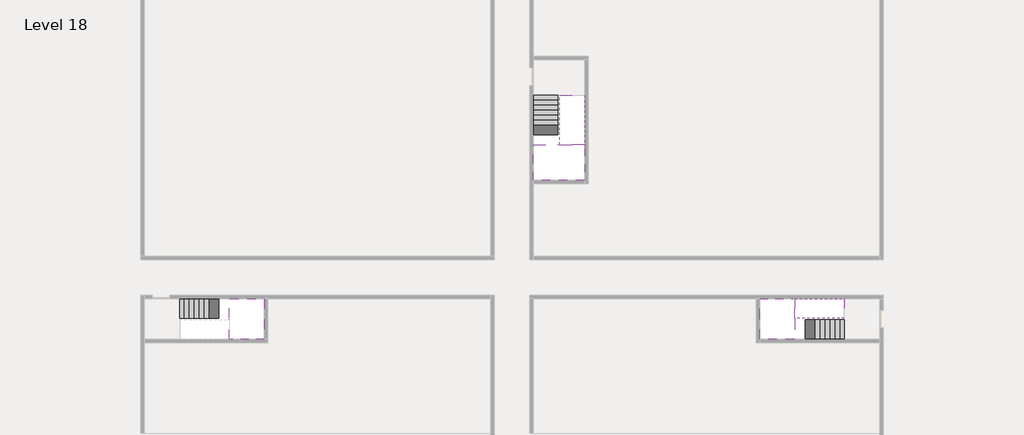
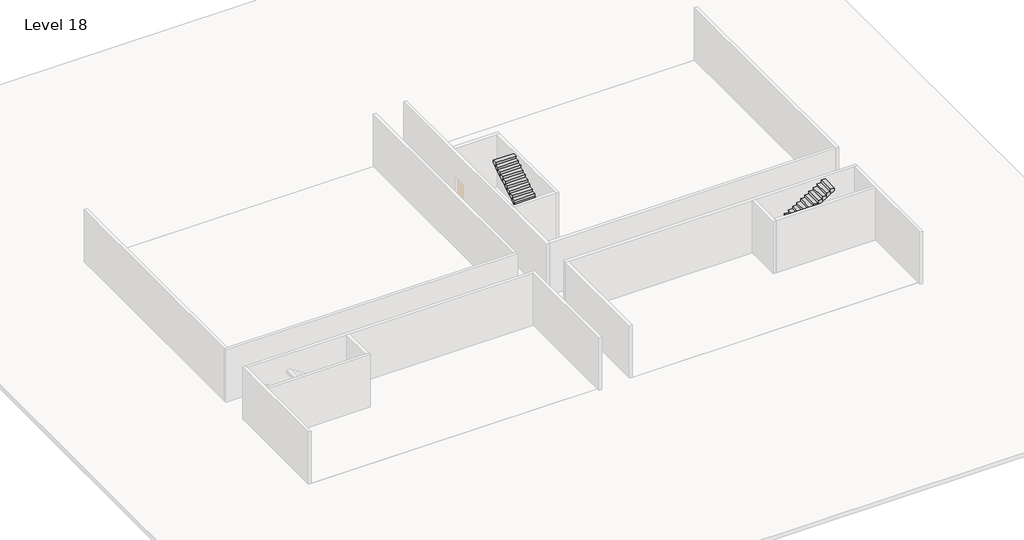
# One storey, part 2 of 2: 5 stair flights, 3 slabs.
"""IFC4 building model written with IfcOpenShell, lengths in millimetres."""

from ifc_helpers import new_model, si_unit, origin, place, context, project, spatial, faceted_brep, element, save

model = new_model("IFC4")

# Units and contexts
model_context = context("Model", 3, world=origin())
ifc_project = project(units=[si_unit("LENGTHUNIT", "METRE", prefix="MILLI")], contexts=[model_context])

# Site, building, storey
site = spatial("IfcSite", under=ifc_project)
building = spatial("IfcBuilding", under=site)
storey = spatial("IfcBuildingStorey", under=building, Name="Level 18", Elevation=64600.0)

# Slabs
placement = place(None, origin())
element("IfcSlab", 1, at=placement, inside=storey, context=model_context, shape_type="Brep", body=[
    faceted_brep([(8190.1058784, -42918.09644, 66500.0), (8190.1058784, -44018.09644, 66500.0), (8190.1058784, -44118.09644, 66500.0), (8190.1058784, -45218.09644, 66500.0), (8390.7194421, -45218.09644, 66500.0), (10190.1058784, -45218.09644, 66500.0), (10190.1058784, -42918.09644, 66500.0), (8269.4923146, -42918.09644, 66500.0), (8190.1058784, -42918.09644, 66327.2727273), (8190.1058784, -42918.09644, 66151.0278478), (8190.1058784, -44018.09644, 66151.0278478), (8190.1058784, -44018.09644, 66200.0), (8190.1058784, -44118.09644, 66200.0), (8190.1058784, -44118.09644, 66323.7551205), (8190.1058784, -45218.09644, 66323.7551205), (8390.7194421, -45218.09644, 66200.0), (10190.1058784, -45218.09644, 66200.0), (10190.1058784, -42918.09644, 66200.0), (8269.4923146, -42918.09644, 66200.0), (8390.7194421, -44118.09644, 66200.0), (8269.4923146, -44018.09644, 66200.0)], [[[0, 1, 2, 3, 4, 5, 6, 7]], [[1, 0, 8, 9, 10, 11]], [[2, 1, 11, 12, 13]], [[3, 2, 13, 14]], [[3, 14, 15, 16, 5, 4]], [[6, 5, 16, 17]], [[9, 8, 0, 7, 6, 17, 18]], [[19, 12, 11, 20, 18, 17, 16, 15]], [[12, 19, 13]], [[18, 20, 10, 9]], [[20, 11, 10]], [[19, 15, 14, 13]]]),
])
element("IfcSlab", 2, at=placement, inside=storey, context=model_context, shape_type="Brep", body=[
    faceted_brep([(40190.1058784, -45218.09644, 66500.0), (40190.1058784, -44118.09644, 66500.0), (40190.1058784, -44018.09644, 66500.0), (40190.1058784, -42918.09644, 66500.0), (39989.4923146, -42918.09644, 66500.0), (38190.1058784, -42918.09644, 66500.0), (38190.1058784, -45218.09644, 66500.0), (40110.7194421, -45218.09644, 66500.0), (40190.1058784, -45218.09644, 66327.2727273), (40190.1058784, -45218.09644, 66151.0278478), (40190.1058784, -44118.09644, 66151.0278478), (40190.1058784, -44118.09644, 66200.0), (40190.1058784, -44018.09644, 66200.0), (40190.1058784, -44018.09644, 66323.7551205), (40190.1058784, -42918.09644, 66323.7551205), (39989.4923146, -42918.09644, 66200.0), (38190.1058784, -42918.09644, 66200.0), (38190.1058784, -45218.09644, 66200.0), (40110.7194421, -45218.09644, 66200.0), (39989.4923146, -44018.09644, 66200.0), (40110.7194421, -44118.09644, 66200.0)], [[[0, 1, 2, 3, 4, 5, 6, 7]], [[1, 0, 8, 9, 10, 11]], [[2, 1, 11, 12, 13]], [[3, 2, 13, 14]], [[3, 14, 15, 16, 5, 4]], [[6, 5, 16, 17]], [[9, 8, 0, 7, 6, 17, 18]], [[19, 12, 11, 20, 18, 17, 16, 15]], [[12, 19, 13]], [[18, 20, 10, 9]], [[20, 11, 10]], [[19, 15, 14, 13]]]),
])
element("IfcSlab", 3, at=placement, inside=storey, context=model_context, shape_type="Brep", body=[
    faceted_brep([(26790.1058784, -34218.09644, 66500.0), (25390.1058784, -34218.09644, 66500.0), (25390.1058784, -34297.4828763, 66500.0), (25390.1058784, -36218.09644, 66500.0), (28290.1058784, -36218.09644, 66500.0), (28290.1058784, -34418.7100038, 66500.0), (28290.1058784, -34218.09644, 66500.0), (26890.1058784, -34218.09644, 66500.0), (26790.1058784, -34218.09644, 66200.0), (26790.1058784, -34218.09644, 66151.0278478), (25390.1058784, -34218.09644, 66151.0278478), (25390.1058784, -34218.09644, 66327.2727273), (25390.1058784, -34297.4828763, 66200.0), (25390.1058784, -36218.09644, 66200.0), (28290.1058784, -36218.09644, 66200.0), (28290.1058784, -34418.7100038, 66200.0), (28290.1058784, -34218.09644, 66323.7551205), (26890.1058784, -34218.09644, 66323.7551205), (26890.1058784, -34218.09644, 66200.0), (26890.1058784, -34418.7100038, 66200.0), (26790.1058784, -34297.4828763, 66200.0)], [[[0, 1, 2, 3, 4, 5, 6, 7]], [[1, 0, 8, 9, 10, 11]], [[1, 11, 10, 12, 13, 3, 2]], [[4, 3, 13, 14]], [[4, 14, 15, 16, 6, 5]], [[7, 6, 16, 17]], [[0, 7, 17, 18, 8]], [[18, 19, 15, 14, 13, 12, 20, 8]], [[19, 18, 17]], [[20, 12, 10, 9]], [[8, 20, 9]], [[15, 19, 17, 16]]]),
])

# Stair flights
element("IfcStairFlight", 4, at=placement, inside=storey, context=model_context, shape_type="Brep", body=[
    faceted_brep([(5670.1058784, -42918.09644, 64772.7272727), (5390.1058784, -42918.09644, 64772.7272727), (5390.1058784, -44018.09644, 64772.7272727), (5670.1058784, -44018.09644, 64772.7272727), (5670.1058784, -42918.09644, 64600.0), (5390.1058784, -42918.09644, 64600.0), (5390.1058784, -44018.09644, 64600.0), (5670.1058784, -44018.09644, 64600.0), (5950.1058784, -42918.09644, 64945.4545455), (5670.1058784, -42918.09644, 64945.4545455), (5670.1058784, -44018.09644, 64945.4545455), (5950.1058784, -44018.09644, 64945.4545455), (5950.1058784, -42918.09644, 64769.209666), (5675.8081041, -42918.09644, 64600.0), (5675.8081041, -44018.09644, 64600.0), (5950.1058784, -44018.09644, 64769.209666), (6230.1058784, -42918.09644, 65118.1818182), (5950.1058784, -42918.09644, 65118.1818182), (5950.1058784, -44018.09644, 65118.1818182), (6230.1058784, -44018.09644, 65118.1818182), (6230.1058784, -42918.09644, 64941.9369387), (6230.1058784, -44018.09644, 64941.9369387), (6510.1058784, -42918.09644, 65290.9090909), (6230.1058784, -42918.09644, 65290.9090909), (6230.1058784, -44018.09644, 65290.9090909), (6510.1058784, -44018.09644, 65290.9090909), (6510.1058784, -42918.09644, 65114.6642114), (6510.1058784, -44018.09644, 65114.6642114), (6790.1058784, -42918.09644, 65463.6363636), (6510.1058784, -42918.09644, 65463.6363636), (6510.1058784, -44018.09644, 65463.6363636), (6790.1058784, -44018.09644, 65463.6363636), (6790.1058784, -42918.09644, 65287.3914841), (6790.1058784, -44018.09644, 65287.3914841), (7070.1058784, -42918.09644, 65636.3636364), (6790.1058784, -42918.09644, 65636.3636364), (6790.1058784, -44018.09644, 65636.3636364), (7070.1058784, -44018.09644, 65636.3636364), (7070.1058784, -42918.09644, 65460.1187569), (7070.1058784, -44018.09644, 65460.1187569), (7350.1058784, -42918.09644, 65809.0909091), (7070.1058784, -42918.09644, 65809.0909091), (7070.1058784, -44018.09644, 65809.0909091), (7350.1058784, -44018.09644, 65809.0909091), (7350.1058784, -42918.09644, 65632.8460296), (7350.1058784, -44018.09644, 65632.8460296), (7630.1058784, -42918.09644, 65981.8181818), (7350.1058784, -42918.09644, 65981.8181818), (7350.1058784, -44018.09644, 65981.8181818), (7630.1058784, -44018.09644, 65981.8181818), (7630.1058784, -42918.09644, 65805.5733023), (7630.1058784, -44018.09644, 65805.5733023), (7910.1058784, -42918.09644, 66154.5454545), (7630.1058784, -42918.09644, 66154.5454545), (7630.1058784, -44018.09644, 66154.5454545), (7910.1058784, -44018.09644, 66154.5454545), (7910.1058784, -42918.09644, 65978.3005751), (7910.1058784, -44018.09644, 65978.3005751), (8190.1058784, -42918.09644, 66327.2727273), (7910.1058784, -42918.09644, 66327.2727273), (7910.1058784, -44018.09644, 66327.2727273), (8190.1058784, -44018.09644, 66327.2727273), (8190.1058784, -42918.09644, 66151.0278478), (8190.1058784, -44018.09644, 66151.0278478), (8190.1058784, -44018.09644, 66200.0)], [[[0, 1, 2, 3]], [[1, 0, 4, 5]], [[2, 1, 5, 6]], [[3, 2, 6, 7]], [[8, 9, 10, 11]], [[4, 0, 9, 8, 12, 13]], [[0, 3, 10, 9]], [[3, 7, 14, 15, 11, 10]], [[16, 17, 18, 19]], [[17, 16, 20, 12, 8]], [[8, 11, 18, 17]], [[19, 18, 11, 15, 21]], [[22, 23, 24, 25]], [[23, 22, 26, 20, 16]], [[16, 19, 24, 23]], [[25, 24, 19, 21, 27]], [[28, 29, 30, 31]], [[29, 28, 32, 26, 22]], [[22, 25, 30, 29]], [[31, 30, 25, 27, 33]], [[34, 35, 36, 37]], [[35, 34, 38, 32, 28]], [[28, 31, 36, 35]], [[37, 36, 31, 33, 39]], [[40, 41, 42, 43]], [[41, 40, 44, 38, 34]], [[34, 37, 42, 41]], [[43, 42, 37, 39, 45]], [[46, 47, 48, 49]], [[47, 46, 50, 44, 40]], [[40, 43, 48, 47]], [[49, 48, 43, 45, 51]], [[52, 53, 54, 55]], [[53, 52, 56, 50, 46]], [[46, 49, 54, 53]], [[55, 54, 49, 51, 57]], [[58, 59, 60, 61]], [[59, 58, 62, 56, 52]], [[52, 55, 60, 59]], [[61, 60, 55, 57, 63, 64]], [[58, 61, 64, 63, 62]], [[5, 4, 13, 14, 7, 6]], [[14, 13, 12, 20, 26, 32, 38, 44, 50, 56, 62, 63, 57, 51, 45, 39, 33, 27, 21, 15]]]),
])
element("IfcStairFlight", 5, at=placement, inside=storey, context=model_context, shape_type="Brep", body=[
    faceted_brep([(42710.1058784, -45218.09644, 64772.7272727), (42990.1058784, -45218.09644, 64772.7272727), (42990.1058784, -44118.09644, 64772.7272727), (42710.1058784, -44118.09644, 64772.7272727), (42710.1058784, -45218.09644, 64600.0), (42990.1058784, -45218.09644, 64600.0), (42990.1058784, -44118.09644, 64600.0), (42710.1058784, -44118.09644, 64600.0), (42430.1058784, -45218.09644, 64945.4545455), (42710.1058784, -45218.09644, 64945.4545455), (42710.1058784, -44118.09644, 64945.4545455), (42430.1058784, -44118.09644, 64945.4545455), (42430.1058784, -45218.09644, 64769.209666), (42704.4036527, -45218.09644, 64600.0), (42704.4036527, -44118.09644, 64600.0), (42430.1058784, -44118.09644, 64769.209666), (42150.1058784, -45218.09644, 65118.1818182), (42430.1058784, -45218.09644, 65118.1818182), (42430.1058784, -44118.09644, 65118.1818182), (42150.1058784, -44118.09644, 65118.1818182), (42150.1058784, -45218.09644, 64941.9369387), (42150.1058784, -44118.09644, 64941.9369387), (41870.1058784, -45218.09644, 65290.9090909), (42150.1058784, -45218.09644, 65290.9090909), (42150.1058784, -44118.09644, 65290.9090909), (41870.1058784, -44118.09644, 65290.9090909), (41870.1058784, -45218.09644, 65114.6642114), (41870.1058784, -44118.09644, 65114.6642114), (41590.1058784, -45218.09644, 65463.6363636), (41870.1058784, -45218.09644, 65463.6363636), (41870.1058784, -44118.09644, 65463.6363636), (41590.1058784, -44118.09644, 65463.6363636), (41590.1058784, -45218.09644, 65287.3914841), (41590.1058784, -44118.09644, 65287.3914841), (41310.1058784, -45218.09644, 65636.3636364), (41590.1058784, -45218.09644, 65636.3636364), (41590.1058784, -44118.09644, 65636.3636364), (41310.1058784, -44118.09644, 65636.3636364), (41310.1058784, -45218.09644, 65460.1187569), (41310.1058784, -44118.09644, 65460.1187569), (41030.1058784, -45218.09644, 65809.0909091), (41310.1058784, -45218.09644, 65809.0909091), (41310.1058784, -44118.09644, 65809.0909091), (41030.1058784, -44118.09644, 65809.0909091), (41030.1058784, -45218.09644, 65632.8460296), (41030.1058784, -44118.09644, 65632.8460296), (40750.1058784, -45218.09644, 65981.8181818), (41030.1058784, -45218.09644, 65981.8181818), (41030.1058784, -44118.09644, 65981.8181818), (40750.1058784, -44118.09644, 65981.8181818), (40750.1058784, -45218.09644, 65805.5733023), (40750.1058784, -44118.09644, 65805.5733023), (40470.1058784, -45218.09644, 66154.5454545), (40750.1058784, -45218.09644, 66154.5454545), (40750.1058784, -44118.09644, 66154.5454545), (40470.1058784, -44118.09644, 66154.5454545), (40470.1058784, -45218.09644, 65978.3005751), (40470.1058784, -44118.09644, 65978.3005751), (40190.1058784, -45218.09644, 66327.2727273), (40470.1058784, -45218.09644, 66327.2727273), (40470.1058784, -44118.09644, 66327.2727273), (40190.1058784, -44118.09644, 66327.2727273), (40190.1058784, -45218.09644, 66151.0278478), (40190.1058784, -44118.09644, 66151.0278478), (40190.1058784, -44118.09644, 66200.0)], [[[0, 1, 2, 3]], [[1, 0, 4, 5]], [[2, 1, 5, 6]], [[3, 2, 6, 7]], [[8, 9, 10, 11]], [[4, 0, 9, 8, 12, 13]], [[0, 3, 10, 9]], [[3, 7, 14, 15, 11, 10]], [[16, 17, 18, 19]], [[17, 16, 20, 12, 8]], [[8, 11, 18, 17]], [[19, 18, 11, 15, 21]], [[22, 23, 24, 25]], [[23, 22, 26, 20, 16]], [[16, 19, 24, 23]], [[25, 24, 19, 21, 27]], [[28, 29, 30, 31]], [[29, 28, 32, 26, 22]], [[22, 25, 30, 29]], [[31, 30, 25, 27, 33]], [[34, 35, 36, 37]], [[35, 34, 38, 32, 28]], [[28, 31, 36, 35]], [[37, 36, 31, 33, 39]], [[40, 41, 42, 43]], [[41, 40, 44, 38, 34]], [[34, 37, 42, 41]], [[43, 42, 37, 39, 45]], [[46, 47, 48, 49]], [[47, 46, 50, 44, 40]], [[40, 43, 48, 47]], [[49, 48, 43, 45, 51]], [[52, 53, 54, 55]], [[53, 52, 56, 50, 46]], [[46, 49, 54, 53]], [[55, 54, 49, 51, 57]], [[58, 59, 60, 61]], [[59, 58, 62, 56, 52]], [[52, 55, 60, 59]], [[61, 60, 55, 57, 63, 64]], [[58, 61, 64, 63, 62]], [[5, 4, 13, 14, 7, 6]], [[14, 13, 12, 20, 26, 32, 38, 44, 50, 56, 62, 63, 57, 51, 45, 39, 33, 27, 21, 15]]]),
])
element("IfcStairFlight", 6, at=placement, inside=storey, context=model_context, shape_type="Brep", body=[
    faceted_brep([(40470.1058784, -42918.09644, 66672.7272727), (40190.1058784, -42918.09644, 66672.7272727), (40190.1058784, -44018.09644, 66672.7272727), (40470.1058784, -44018.09644, 66672.7272727), (40470.1058784, -42918.09644, 66496.4823932), (40190.1058784, -42918.09644, 66323.7551205), (40190.1058784, -42918.09644, 66500.0), (40190.1058784, -44018.09644, 66323.7551205), (40470.1058784, -44018.09644, 66496.4823932), (40750.1058784, -42918.09644, 66845.4545455), (40470.1058784, -42918.09644, 66845.4545455), (40470.1058784, -44018.09644, 66845.4545455), (40750.1058784, -44018.09644, 66845.4545455), (40750.1058784, -42918.09644, 66669.209666), (40750.1058784, -44018.09644, 66669.209666), (41030.1058784, -42918.09644, 67018.1818182), (40750.1058784, -42918.09644, 67018.1818182), (40750.1058784, -44018.09644, 67018.1818182), (41030.1058784, -44018.09644, 67018.1818182), (41030.1058784, -42918.09644, 66841.9369387), (41030.1058784, -44018.09644, 66841.9369387), (41310.1058784, -42918.09644, 67190.9090909), (41030.1058784, -42918.09644, 67190.9090909), (41030.1058784, -44018.09644, 67190.9090909), (41310.1058784, -44018.09644, 67190.9090909), (41310.1058784, -42918.09644, 67014.6642114), (41310.1058784, -44018.09644, 67014.6642114), (41590.1058784, -42918.09644, 67363.6363636), (41310.1058784, -42918.09644, 67363.6363636), (41310.1058784, -44018.09644, 67363.6363636), (41590.1058784, -44018.09644, 67363.6363636), (41590.1058784, -42918.09644, 67187.3914841), (41590.1058784, -44018.09644, 67187.3914841), (41870.1058784, -42918.09644, 67536.3636364), (41590.1058784, -42918.09644, 67536.3636364), (41590.1058784, -44018.09644, 67536.3636364), (41870.1058784, -44018.09644, 67536.3636364), (41870.1058784, -42918.09644, 67360.1187569), (41870.1058784, -44018.09644, 67360.1187569), (42150.1058784, -42918.09644, 67709.0909091), (41870.1058784, -42918.09644, 67709.0909091), (41870.1058784, -44018.09644, 67709.0909091), (42150.1058784, -44018.09644, 67709.0909091), (42150.1058784, -42918.09644, 67532.8460296), (42150.1058784, -44018.09644, 67532.8460296), (42430.1058784, -42918.09644, 67881.8181818), (42150.1058784, -42918.09644, 67881.8181818), (42150.1058784, -44018.09644, 67881.8181818), (42430.1058784, -44018.09644, 67881.8181818), (42430.1058784, -42918.09644, 67705.5733023), (42430.1058784, -44018.09644, 67705.5733023), (42710.1058784, -42918.09644, 68054.5454545), (42430.1058784, -42918.09644, 68054.5454545), (42430.1058784, -44018.09644, 68054.5454545), (42710.1058784, -44018.09644, 68054.5454545), (42710.1058784, -42918.09644, 67878.3005751), (42710.1058784, -44018.09644, 67878.3005751), (42990.1058784, -42918.09644, 68227.2727273), (42710.1058784, -42918.09644, 68227.2727273), (42710.1058784, -44018.09644, 68227.2727273), (42990.1058784, -44018.09644, 68227.2727273), (42990.1058784, -42918.09644, 68051.0278478), (42990.1058784, -44018.09644, 68051.0278478)], [[[0, 1, 2, 3]], [[1, 0, 4, 5, 6]], [[2, 1, 6, 5, 7]], [[3, 2, 7, 8]], [[9, 10, 11, 12]], [[10, 9, 13, 4, 0]], [[11, 10, 0, 3]], [[12, 11, 3, 8, 14]], [[15, 16, 17, 18]], [[16, 15, 19, 13, 9]], [[17, 16, 9, 12]], [[18, 17, 12, 14, 20]], [[21, 22, 23, 24]], [[22, 21, 25, 19, 15]], [[23, 22, 15, 18]], [[24, 23, 18, 20, 26]], [[27, 28, 29, 30]], [[28, 27, 31, 25, 21]], [[29, 28, 21, 24]], [[30, 29, 24, 26, 32]], [[33, 34, 35, 36]], [[34, 33, 37, 31, 27]], [[35, 34, 27, 30]], [[36, 35, 30, 32, 38]], [[39, 40, 41, 42]], [[40, 39, 43, 37, 33]], [[41, 40, 33, 36]], [[42, 41, 36, 38, 44]], [[45, 46, 47, 48]], [[46, 45, 49, 43, 39]], [[47, 46, 39, 42]], [[48, 47, 42, 44, 50]], [[51, 52, 53, 54]], [[52, 51, 55, 49, 45]], [[53, 52, 45, 48]], [[54, 53, 48, 50, 56]], [[57, 58, 59, 60]], [[58, 57, 61, 55, 51]], [[59, 58, 51, 54]], [[60, 59, 54, 56, 62]], [[57, 60, 62, 61]], [[5, 4, 13, 19, 25, 31, 37, 43, 49, 55, 61, 62, 56, 50, 44, 38, 32, 26, 20, 14, 8, 7]]]),
])
element("IfcStairFlight", 7, at=placement, inside=storey, context=model_context, shape_type="Brep", body=[
    faceted_brep([(26790.1058784, -31698.09644, 64772.7272727), (26790.1058784, -31418.09644, 64772.7272727), (25390.1058784, -31418.09644, 64772.7272727), (25390.1058784, -31698.09644, 64772.7272727), (26790.1058784, -31698.09644, 64600.0), (26790.1058784, -31418.09644, 64600.0), (25390.1058784, -31418.09644, 64600.0), (25390.1058784, -31698.09644, 64600.0), (26790.1058784, -31978.09644, 64945.4545455), (26790.1058784, -31698.09644, 64945.4545455), (25390.1058784, -31698.09644, 64945.4545455), (25390.1058784, -31978.09644, 64945.4545455), (26790.1058784, -31978.09644, 64769.209666), (26790.1058784, -31703.7986657, 64600.0), (25390.1058784, -31703.7986657, 64600.0), (25390.1058784, -31978.09644, 64769.209666), (26790.1058784, -32258.09644, 65118.1818182), (26790.1058784, -31978.09644, 65118.1818182), (25390.1058784, -31978.09644, 65118.1818182), (25390.1058784, -32258.09644, 65118.1818182), (26790.1058784, -32258.09644, 64941.9369387), (25390.1058784, -32258.09644, 64941.9369387), (26790.1058784, -32538.09644, 65290.9090909), (26790.1058784, -32258.09644, 65290.9090909), (25390.1058784, -32258.09644, 65290.9090909), (25390.1058784, -32538.09644, 65290.9090909), (26790.1058784, -32538.09644, 65114.6642114), (25390.1058784, -32538.09644, 65114.6642114), (26790.1058784, -32818.09644, 65463.6363636), (26790.1058784, -32538.09644, 65463.6363636), (25390.1058784, -32538.09644, 65463.6363636), (25390.1058784, -32818.09644, 65463.6363636), (26790.1058784, -32818.09644, 65287.3914841), (25390.1058784, -32818.09644, 65287.3914841), (26790.1058784, -33098.09644, 65636.3636364), (26790.1058784, -32818.09644, 65636.3636364), (25390.1058784, -32818.09644, 65636.3636364), (25390.1058784, -33098.09644, 65636.3636364), (26790.1058784, -33098.09644, 65460.1187569), (25390.1058784, -33098.09644, 65460.1187569), (26790.1058784, -33378.09644, 65809.0909091), (26790.1058784, -33098.09644, 65809.0909091), (25390.1058784, -33098.09644, 65809.0909091), (25390.1058784, -33378.09644, 65809.0909091), (26790.1058784, -33378.09644, 65632.8460296), (25390.1058784, -33378.09644, 65632.8460296), (26790.1058784, -33658.09644, 65981.8181818), (26790.1058784, -33378.09644, 65981.8181818), (25390.1058784, -33378.09644, 65981.8181818), (25390.1058784, -33658.09644, 65981.8181818), (26790.1058784, -33658.09644, 65805.5733023), (25390.1058784, -33658.09644, 65805.5733023), (26790.1058784, -33938.09644, 66154.5454545), (26790.1058784, -33658.09644, 66154.5454545), (25390.1058784, -33658.09644, 66154.5454545), (25390.1058784, -33938.09644, 66154.5454545), (26790.1058784, -33938.09644, 65978.3005751), (25390.1058784, -33938.09644, 65978.3005751), (26790.1058784, -34218.09644, 66327.2727273), (26790.1058784, -33938.09644, 66327.2727273), (25390.1058784, -33938.09644, 66327.2727273), (25390.1058784, -34218.09644, 66327.2727273), (26790.1058784, -34218.09644, 66200.0), (26790.1058784, -34218.09644, 66151.0278478), (25390.1058784, -34218.09644, 66151.0278478)], [[[0, 1, 2, 3]], [[1, 0, 4, 5]], [[2, 1, 5, 6]], [[3, 2, 6, 7]], [[8, 9, 10, 11]], [[4, 0, 9, 8, 12, 13]], [[0, 3, 10, 9]], [[3, 7, 14, 15, 11, 10]], [[16, 17, 18, 19]], [[17, 16, 20, 12, 8]], [[8, 11, 18, 17]], [[19, 18, 11, 15, 21]], [[22, 23, 24, 25]], [[23, 22, 26, 20, 16]], [[16, 19, 24, 23]], [[25, 24, 19, 21, 27]], [[28, 29, 30, 31]], [[29, 28, 32, 26, 22]], [[22, 25, 30, 29]], [[31, 30, 25, 27, 33]], [[34, 35, 36, 37]], [[35, 34, 38, 32, 28]], [[28, 31, 36, 35]], [[37, 36, 31, 33, 39]], [[40, 41, 42, 43]], [[41, 40, 44, 38, 34]], [[34, 37, 42, 41]], [[43, 42, 37, 39, 45]], [[46, 47, 48, 49]], [[47, 46, 50, 44, 40]], [[40, 43, 48, 47]], [[49, 48, 43, 45, 51]], [[52, 53, 54, 55]], [[53, 52, 56, 50, 46]], [[46, 49, 54, 53]], [[55, 54, 49, 51, 57]], [[58, 59, 60, 61]], [[59, 58, 62, 63, 56, 52]], [[52, 55, 60, 59]], [[61, 60, 55, 57, 64]], [[58, 61, 64, 63, 62]], [[5, 4, 13, 14, 7, 6]], [[14, 13, 12, 20, 26, 32, 38, 44, 50, 56, 63, 64, 57, 51, 45, 39, 33, 27, 21, 15]]]),
])
element("IfcStairFlight", 8, at=placement, inside=storey, context=model_context, shape_type="Brep", body=[
    faceted_brep([(26890.1058784, -33938.09644, 66672.7272727), (26890.1058784, -34218.09644, 66672.7272727), (28290.1058784, -34218.09644, 66672.7272727), (28290.1058784, -33938.09644, 66672.7272727), (26890.1058784, -33938.09644, 66496.4823932), (26890.1058784, -34218.09644, 66323.7551205), (28290.1058784, -34218.09644, 66323.7551205), (28290.1058784, -34218.09644, 66500.0), (28290.1058784, -33938.09644, 66496.4823932), (26890.1058784, -33658.09644, 66845.4545455), (26890.1058784, -33938.09644, 66845.4545455), (28290.1058784, -33938.09644, 66845.4545455), (28290.1058784, -33658.09644, 66845.4545455), (26890.1058784, -33658.09644, 66669.209666), (28290.1058784, -33658.09644, 66669.209666), (26890.1058784, -33378.09644, 67018.1818182), (26890.1058784, -33658.09644, 67018.1818182), (28290.1058784, -33658.09644, 67018.1818182), (28290.1058784, -33378.09644, 67018.1818182), (26890.1058784, -33378.09644, 66841.9369387), (28290.1058784, -33378.09644, 66841.9369387), (26890.1058784, -33098.09644, 67190.9090909), (26890.1058784, -33378.09644, 67190.9090909), (28290.1058784, -33378.09644, 67190.9090909), (28290.1058784, -33098.09644, 67190.9090909), (26890.1058784, -33098.09644, 67014.6642114), (28290.1058784, -33098.09644, 67014.6642114), (26890.1058784, -32818.09644, 67363.6363636), (26890.1058784, -33098.09644, 67363.6363636), (28290.1058784, -33098.09644, 67363.6363636), (28290.1058784, -32818.09644, 67363.6363636), (26890.1058784, -32818.09644, 67187.3914841), (28290.1058784, -32818.09644, 67187.3914841), (26890.1058784, -32538.09644, 67536.3636364), (26890.1058784, -32818.09644, 67536.3636364), (28290.1058784, -32818.09644, 67536.3636364), (28290.1058784, -32538.09644, 67536.3636364), (26890.1058784, -32538.09644, 67360.1187569), (28290.1058784, -32538.09644, 67360.1187569), (26890.1058784, -32258.09644, 67709.0909091), (26890.1058784, -32538.09644, 67709.0909091), (28290.1058784, -32538.09644, 67709.0909091), (28290.1058784, -32258.09644, 67709.0909091), (26890.1058784, -32258.09644, 67532.8460296), (28290.1058784, -32258.09644, 67532.8460296), (26890.1058784, -31978.09644, 67881.8181818), (26890.1058784, -32258.09644, 67881.8181818), (28290.1058784, -32258.09644, 67881.8181818), (28290.1058784, -31978.09644, 67881.8181818), (26890.1058784, -31978.09644, 67705.5733023), (28290.1058784, -31978.09644, 67705.5733023), (26890.1058784, -31698.09644, 68054.5454545), (26890.1058784, -31978.09644, 68054.5454545), (28290.1058784, -31978.09644, 68054.5454545), (28290.1058784, -31698.09644, 68054.5454545), (26890.1058784, -31698.09644, 67878.3005751), (28290.1058784, -31698.09644, 67878.3005751), (26890.1058784, -31418.09644, 68227.2727273), (26890.1058784, -31698.09644, 68227.2727273), (28290.1058784, -31698.09644, 68227.2727273), (28290.1058784, -31418.09644, 68227.2727273), (26890.1058784, -31418.09644, 68051.0278478), (28290.1058784, -31418.09644, 68051.0278478)], [[[0, 1, 2, 3]], [[1, 0, 4, 5]], [[2, 1, 5, 6, 7]], [[3, 2, 7, 6, 8]], [[9, 10, 11, 12]], [[10, 9, 13, 4, 0]], [[11, 10, 0, 3]], [[12, 11, 3, 8, 14]], [[15, 16, 17, 18]], [[16, 15, 19, 13, 9]], [[17, 16, 9, 12]], [[18, 17, 12, 14, 20]], [[21, 22, 23, 24]], [[22, 21, 25, 19, 15]], [[23, 22, 15, 18]], [[24, 23, 18, 20, 26]], [[27, 28, 29, 30]], [[28, 27, 31, 25, 21]], [[29, 28, 21, 24]], [[30, 29, 24, 26, 32]], [[33, 34, 35, 36]], [[34, 33, 37, 31, 27]], [[35, 34, 27, 30]], [[36, 35, 30, 32, 38]], [[39, 40, 41, 42]], [[40, 39, 43, 37, 33]], [[41, 40, 33, 36]], [[42, 41, 36, 38, 44]], [[45, 46, 47, 48]], [[46, 45, 49, 43, 39]], [[47, 46, 39, 42]], [[48, 47, 42, 44, 50]], [[51, 52, 53, 54]], [[52, 51, 55, 49, 45]], [[53, 52, 45, 48]], [[54, 53, 48, 50, 56]], [[57, 58, 59, 60]], [[58, 57, 61, 55, 51]], [[59, 58, 51, 54]], [[60, 59, 54, 56, 62]], [[57, 60, 62, 61]], [[5, 4, 13, 19, 25, 31, 37, 43, 49, 55, 61, 62, 56, 50, 44, 38, 32, 26, 20, 14, 8, 6]]]),
])

save(model, "model.ifc")
